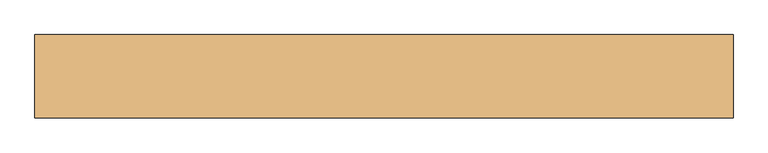
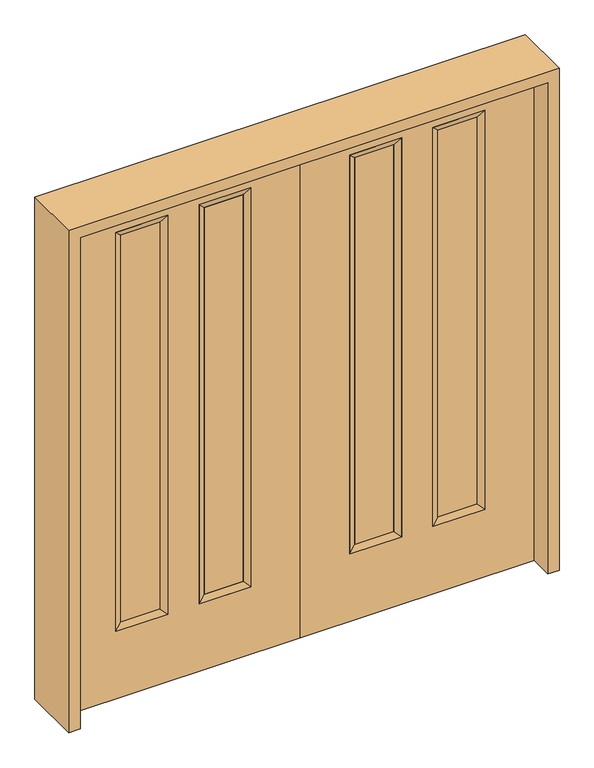
"""IFC4 building model written with IfcOpenShell, lengths in millimetres: door geometry."""

from ifc_helpers import new_model, si_unit, frame, origin, place, context, project, spatial, polyline, outline, extrude, faceted_brep, source, transform, mapped, element, save


def door_2b654990(model_context):
    return source(origin(), model_context, "Body", "SolidModel", [
        extrude(outline(polyline([(543.814, -12.7039749), (543.814, 14.2875), (696.214, 14.2875), (696.214, -12.7039749), (543.814, -12.7039749)])), frame((0.0, 0.0, 304.8), z_axis=(0.0, 0.0, 1.0), x_axis=(1.0, 0.0, 0.0)), (0.0, 0.0, 1.0), 1600.2),
        extrude(outline(polyline([(218.186, -12.7039749), (218.186, 14.2875), (370.586, 14.2875), (370.586, -12.7039749), (218.186, -12.7039749)])), frame((0.0, 0.0, 304.8), z_axis=(0.0, 0.0, 1.0), x_axis=(1.0, 0.0, 0.0)), (0.0, 0.0, 1.0), 1600.2),
        faceted_brep([(192.786, 22.225, 1930.4), (395.986, 22.225, 1930.4), (370.586, 14.2875, 1905.0), (218.186, 14.2875, 1905.0), (370.586, -12.7039749, 1905.0), (218.186, -12.7039749, 1905.0), (395.986, -22.225, 1930.4), (192.786, -22.225, 1930.4), (395.986, 22.225, 279.4), (370.586, 14.2875, 304.8), (370.586, -12.7039749, 304.8), (395.986, -22.225, 279.4), (192.786, 22.225, 279.4), (218.186, 14.2875, 304.8), (218.186, -12.7039749, 304.8), (192.786, -22.225, 279.4)], [[[0, 1, 2, 3]], [[3, 2, 4, 5]], [[5, 4, 6, 7]], [[7, 6, 1, 0]], [[1, 8, 9, 2]], [[2, 9, 10, 4]], [[4, 10, 11, 6]], [[6, 11, 8, 1]], [[8, 12, 13, 9]], [[9, 13, 14, 10]], [[10, 14, 15, 11]], [[11, 15, 12, 8]], [[12, 0, 3, 13]], [[13, 3, 5, 14]], [[14, 5, 7, 15]], [[15, 7, 0, 12]]]),
        faceted_brep([(696.214, 14.2875, 1905.0), (543.814, 14.2875, 1905.0), (518.414, 22.225, 1930.4), (721.614, 22.225, 1930.4), (696.214, -12.7039749, 1905.0), (543.814, -12.7039749, 1905.0), (721.614, -22.225, 1930.4), (518.414, -22.225, 1930.4), (543.814, 14.2875, 304.8), (518.414, 22.225, 279.4), (543.814, -12.7039749, 304.8), (518.414, -22.225, 279.4), (696.214, 14.2875, 304.8), (721.614, 22.225, 279.4), (696.214, -12.7039749, 304.8), (721.614, -22.225, 279.4)], [[[0, 1, 2, 3]], [[4, 5, 1, 0]], [[6, 7, 5, 4]], [[3, 2, 7, 6]], [[1, 8, 9, 2]], [[5, 10, 8, 1]], [[7, 11, 10, 5]], [[2, 9, 11, 7]], [[8, 12, 13, 9]], [[10, 14, 12, 8]], [[11, 15, 14, 10]], [[9, 13, 15, 11]], [[12, 0, 3, 13]], [[14, 4, 0, 12]], [[15, 6, 4, 14]], [[13, 3, 6, 15]]]),
        extrude(outline(polyline([(0.0, 914.4), (2032.0, 914.4), (2032.0, 0.0), (0.0, 0.0), (0.0, 914.4)]), holes=[polyline([(279.4, 721.614), (279.4, 518.414), (1930.4, 518.414), (1930.4, 721.614), (279.4, 721.614)]), polyline([(279.4, 395.986), (279.4, 192.786), (1930.4, 192.786), (1930.4, 395.986), (279.4, 395.986)])]), frame((0.0, -22.225, 0.0), z_axis=(0.0, 1.0, 0.0), x_axis=(0.0, 0.0, 1.0)), (0.0, 0.0, 1.0), 44.45),
        extrude(outline(polyline([(-543.814, -12.7039749), (-696.214, -12.7039749), (-696.214, 14.2875), (-543.814, 14.2875), (-543.814, -12.7039749)])), frame((0.0, 0.0, 304.8), z_axis=(0.0, 0.0, 1.0), x_axis=(1.0, 0.0, 0.0)), (0.0, 0.0, 1.0), 1600.2),
        extrude(outline(polyline([(-218.186, -12.7039749), (-370.586, -12.7039749), (-370.586, 14.2875), (-218.186, 14.2875), (-218.186, -12.7039749)])), frame((0.0, 0.0, 304.8), z_axis=(0.0, 0.0, 1.0), x_axis=(1.0, 0.0, 0.0)), (0.0, 0.0, 1.0), 1600.2),
        faceted_brep([(-192.786, 22.225, 1930.4), (-218.186, 14.2875, 1905.0), (-370.586, 14.2875, 1905.0), (-395.986, 22.225, 1930.4), (-218.186, -12.7039749, 1905.0), (-370.586, -12.7039749, 1905.0), (-192.786, -22.225, 1930.4), (-395.986, -22.225, 1930.4), (-370.586, 14.2875, 304.8), (-395.986, 22.225, 279.4), (-370.586, -12.7039749, 304.8), (-395.986, -22.225, 279.4), (-218.186, 14.2875, 304.8), (-192.786, 22.225, 279.4), (-218.186, -12.7039749, 304.8), (-192.786, -22.225, 279.4)], [[[0, 1, 2, 3]], [[1, 4, 5, 2]], [[4, 6, 7, 5]], [[6, 0, 3, 7]], [[3, 2, 8, 9]], [[2, 5, 10, 8]], [[5, 7, 11, 10]], [[7, 3, 9, 11]], [[9, 8, 12, 13]], [[8, 10, 14, 12]], [[10, 11, 15, 14]], [[11, 9, 13, 15]], [[13, 12, 1, 0]], [[12, 14, 4, 1]], [[14, 15, 6, 4]], [[15, 13, 0, 6]]]),
        faceted_brep([(-696.214, 14.2875, 1905.0), (-721.614, 22.225, 1930.4), (-518.414, 22.225, 1930.4), (-543.814, 14.2875, 1905.0), (-696.214, -12.7039749, 1905.0), (-543.814, -12.7039749, 1905.0), (-721.614, -22.225, 1930.4), (-518.414, -22.225, 1930.4), (-518.414, 22.225, 279.4), (-543.814, 14.2875, 304.8), (-543.814, -12.7039749, 304.8), (-518.414, -22.225, 279.4), (-721.614, 22.225, 279.4), (-696.214, 14.2875, 304.8), (-696.214, -12.7039749, 304.8), (-721.614, -22.225, 279.4)], [[[0, 1, 2, 3]], [[4, 0, 3, 5]], [[6, 4, 5, 7]], [[1, 6, 7, 2]], [[3, 2, 8, 9]], [[5, 3, 9, 10]], [[7, 5, 10, 11]], [[2, 7, 11, 8]], [[9, 8, 12, 13]], [[10, 9, 13, 14]], [[11, 10, 14, 15]], [[8, 11, 15, 12]], [[13, 12, 1, 0]], [[14, 13, 0, 4]], [[15, 14, 4, 6]], [[12, 15, 6, 1]]]),
        extrude(outline(polyline([(0.0, -914.4), (0.0, 0.0), (2032.0, 0.0), (2032.0, -914.4), (0.0, -914.4)]), holes=[polyline([(279.4, -721.614), (1930.4, -721.614), (1930.4, -518.414), (279.4, -518.414), (279.4, -721.614)]), polyline([(279.4, -395.986), (1930.4, -395.986), (1930.4, -192.786), (279.4, -192.786), (279.4, -395.986)])]), frame((0.0, -22.225, 0.0), z_axis=(0.0, 1.0, 0.0), x_axis=(0.0, 0.0, 1.0)), (0.0, 0.0, 1.0), 44.45),
        extrude(outline(polyline([(0.0, -958.85), (0.0, -914.4), (2032.0, -914.4), (2032.0, 914.4), (0.0, 914.4), (0.0, 958.85), (2076.45, 958.85), (2076.45, -958.85), (0.0, -958.85)])), frame((0.0, -114.3, 0.0), z_axis=(0.0, 1.0, 0.0), x_axis=(0.0, 0.0, 1.0)), (0.0, 0.0, 1.0), 228.6),
    ])


if __name__ == "__main__":
    model = new_model("IFC4")
    model_context = context("Model", 3, world=origin())
    ifc_project = project(units=[si_unit("LENGTHUNIT", "METRE", prefix="MILLI")], contexts=[model_context])
    site = spatial("IfcSite", under=ifc_project)
    building = spatial("IfcBuilding", under=site)
    placement = place(None, origin())
    door_shape = door_2b654990(model_context)
    element("IfcDoor", 1, at=placement, inside=building, context=model_context, shape_type="MappedRepresentation", body=[
        mapped(door_shape, transform((0.0, 0.0, 0.0), x_axis=(1.0, 0.0, 0.0), y_axis=(0.0, 1.0, 0.0), z_axis=(0.0, 0.0, 1.0))),
    ])
    save(model, "model.ifc")
